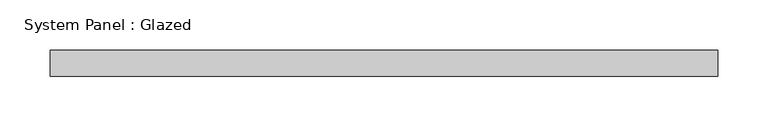
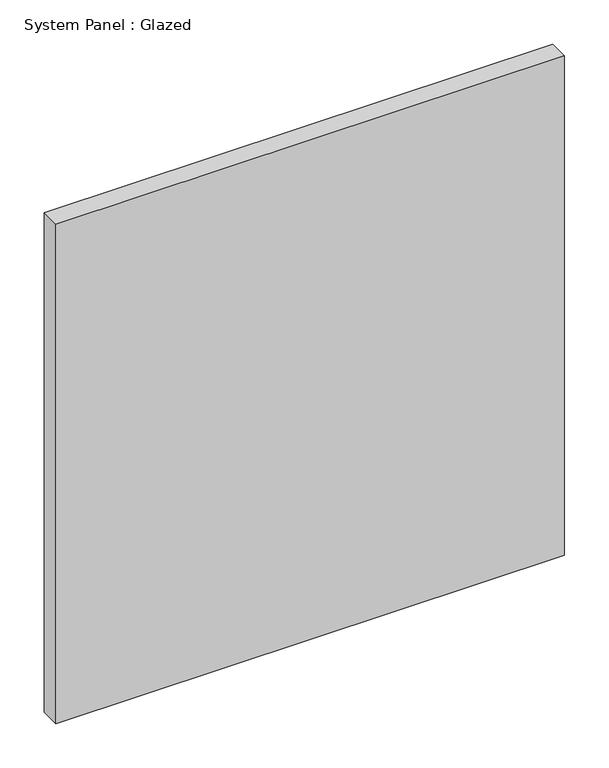
"""IFC4 building model written with IfcOpenShell, lengths in millimetres: plate geometry, System Panel : Glazed."""

from ifc_helpers import new_model, si_unit, origin, origin_with_axes, place, context, project, spatial, polyline, outline, extrude, source, transform, mapped, element, save


def system_panel_glazed_b23e6d0a(model_context):
    return source(origin(), model_context, "Body", "SweptSolid", [
        extrude(outline(polyline([(330.2, 19.05), (-330.2, 19.05), (-330.2, 44.45), (330.2, 44.45), (330.2, 19.05)])), origin_with_axes(), (0.0, 0.0, 1.0), 685.8),
    ])


if __name__ == "__main__":
    model = new_model("IFC4")
    model_context = context("Model", 3, world=origin())
    ifc_project = project(units=[si_unit("LENGTHUNIT", "METRE", prefix="MILLI")], contexts=[model_context])
    site = spatial("IfcSite", under=ifc_project)
    building = spatial("IfcBuilding", under=site)
    placement = place(None, origin())
    system_panel_glazed_shape = system_panel_glazed_b23e6d0a(model_context)
    element("IfcPlate", 1, ObjectType="System Panel : Glazed", at=placement, inside=building, context=model_context, shape_type="MappedRepresentation", body=[
        mapped(system_panel_glazed_shape, transform((0.0, 0.0, 0.0), x_axis=(1.0, 0.0, 0.0), y_axis=(0.0, 1.0, 0.0), z_axis=(0.0, 0.0, 1.0))),
    ])
    save(model, "model.ifc")
